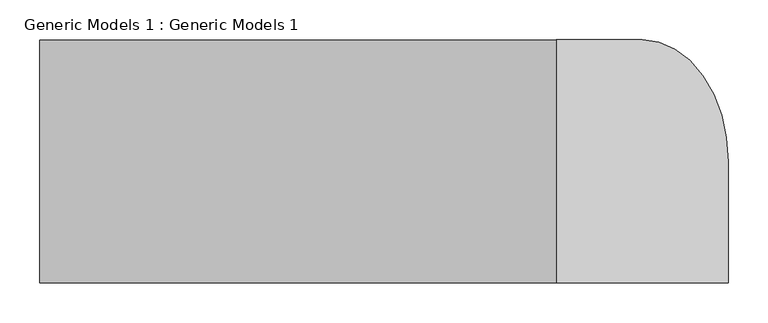
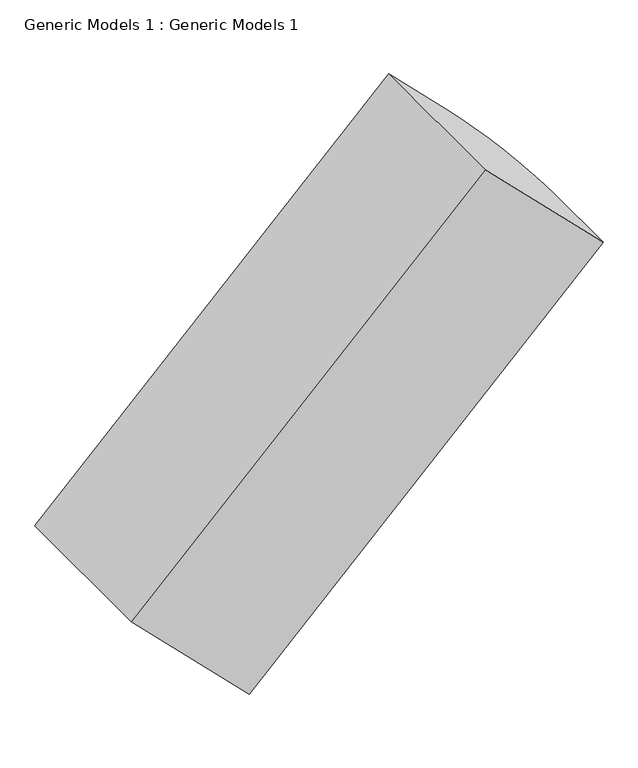
"""IFC4 building model written with IfcOpenShell, lengths in millimetres: proxy geometry, Generic Models 1 : Generic Models 1."""

from ifc_helpers import new_model, si_unit, point, frame, frame_2d, origin, place, context, project, spatial, polyline, circle_curve, trimmed, segment, composite_curve, outline, extrude, source, transform, mapped, element, save


def generic_models_1_generic_models_1_c105a927(model_context):
    return source(origin(), model_context, "Body", "SweptSolid", [
        extrude(outline(composite_curve([segment(polyline([(152.4, 0.0), (152.4, -152.4)]), True, "CONTINUOUS"), segment(trimmed(circle_curve(frame_2d((0.0, -152.4)), 152.4), [point((152.4, -152.4))], [point((0.0, -304.8))], False, "CARTESIAN"), True, "CONTINUOUS"), segment(polyline([(0.0, -304.8), (-152.4, -304.8), (-152.4, 0.0), (152.4, 0.0)]), True, "CONTINUOUS")], self_intersect=False)), frame((-431.0522938, 0.0, 1460.8738531), z_axis=(0.707106781186547, 0.0, 0.7071067811865482), x_axis=(0.0, 1.0, 0.0)), (0.0, 0.0, 1.0), 914.4),
    ])


if __name__ == "__main__":
    model = new_model("IFC4")
    model_context = context("Model", 3, world=origin())
    ifc_project = project(units=[si_unit("LENGTHUNIT", "METRE", prefix="MILLI")], contexts=[model_context])
    site = spatial("IfcSite", under=ifc_project)
    building = spatial("IfcBuilding", under=site)
    placement = place(None, origin())
    generic_models_1_generic_models_1_shape = generic_models_1_generic_models_1_c105a927(model_context)
    element("IfcBuildingElementProxy", 1, Name="Generic Models 1 : Generic Models 1", ObjectType="Generic Models 1 : Generic Models 1", at=placement, inside=building, context=model_context, shape_type="MappedRepresentation", body=[
        mapped(generic_models_1_generic_models_1_shape, transform((0.0, 0.0, 0.0), x_axis=(1.0, 0.0, 0.0), y_axis=(0.0, 1.0, 0.0), z_axis=(0.0, 0.0, 1.0))),
    ])
    save(model, "model.ifc")
